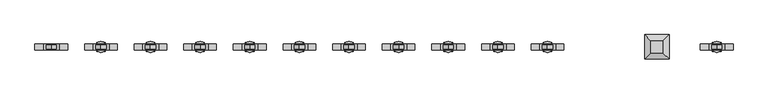
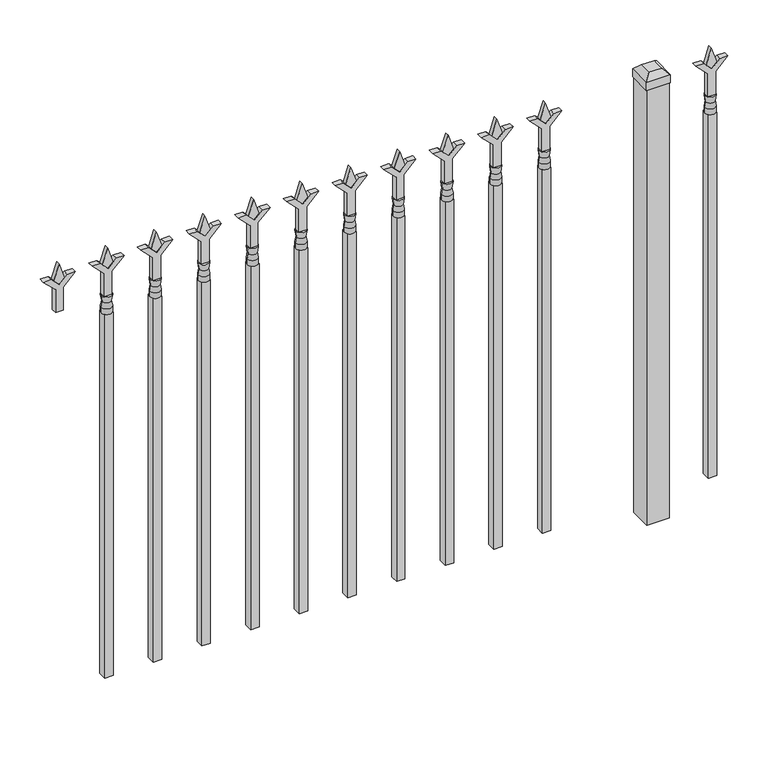
"""IFC4 building model written with IfcOpenShell, lengths in millimetres: railing geometry."""

from ifc_helpers import new_model, si_unit, frame, origin, origin_with_axes, place, context, project, spatial, polyline, circle_curve, outline, extrude, faceted_brep, source, transform, mapped, element, save
from ifc_brep_helpers import plane_surface, cylinder_surface, revolved_surface, advanced_brep


def railing_d598b14e(model_context):
    return source(origin(), model_context, "Body", "SolidModel", [
        extrude(outline(polyline([(1031.08125, -84010.849337), (1066.8, -84022.755587), (1031.08125, -84034.661837), (1019.175, -84022.755587), (1031.08125, -84010.849337)])), frame((0.0, 3017.5804826, 0.0), z_axis=(0.0, 1.0, 0.0), x_axis=(0.0, 0.0, 1.0)), (0.0, 0.0, 1.0), 9.525),
        extrude(outline(polyline([(955.675, -84014.024337), (1009.9457378, -84014.024337), (1037.1355122, -83986.8345625), (1037.1355122, -84004.7950747), (1019.175, -84022.755587), (1037.1355122, -84040.7160992), (1037.1355122, -84058.6766114), (1009.9457378, -84031.486837), (955.675, -84031.486837), (955.675, -84014.024337)])), frame((0.0, 3015.9929826, 0.0), z_axis=(0.0, 1.0, 0.0), x_axis=(0.0, 0.0, 1.0)), (0.0, 0.0, 1.0), 12.7),
        advanced_brep(
        [(-84010.849337, 3022.3429826, 927.1), (-84034.661837, 3022.3429826, 927.1), (-84034.661837, 3022.3429826, 914.4), (-84010.849337, 3022.3429826, 914.4), (-84013.0546688, 3022.3429826, 939.6070585), (-84032.4565051, 3022.3429826, 939.6070585), (-84010.849337, 3022.3429826, 955.675), (-84034.661837, 3022.3429826, 955.675), (-84022.755587, 3022.3429826, 955.675), (-84022.755587, 3022.3429826, 914.4)],
        [
            (0, 1, circle_curve(frame((-84022.755587, 3022.3429826, 927.1), z_axis=(0.0, 0.0, -1.0), x_axis=(-1.0, 0.0, 0.0)), 11.90625)),
            (1, 2),
            (2, 3, circle_curve(frame((-84022.755587, 3022.3429826, 914.4), z_axis=(0.0, 0.0, 1.0), x_axis=(-1.0, 0.0, 0.0)), 11.90625)),
            (3, 0),
            (1, 0, circle_curve(frame((-84022.755587, 3022.3429826, 927.1), z_axis=(0.0, 0.0, -1.0), x_axis=(-1.0, 0.0, 0.0)), 11.90625)),
            (3, 2, circle_curve(frame((-84022.755587, 3022.3429826, 914.4), z_axis=(0.0, 0.0, 1.0), x_axis=(-1.0, 0.0, 0.0)), 11.90625)),
            (4, 5, circle_curve(frame((-84022.755587, 3022.3429826, 939.6070585), z_axis=(0.0, 0.0, -1.0), x_axis=(-1.0, 0.0, 0.0)), 9.7009181)),
            (5, 1),
            (0, 4),
            (5, 4, circle_curve(frame((-84022.755587, 3022.3429826, 939.6070585), z_axis=(0.0, 0.0, -1.0), x_axis=(-1.0, 0.0, 0.0)), 9.7009181)),
            (6, 7, circle_curve(frame((-84022.755587, 3022.3429826, 955.675), z_axis=(0.0, 0.0, -1.0), x_axis=(-1.0, 0.0, 0.0)), 11.90625)),
            (7, 5),
            (4, 6),
            (7, 6, circle_curve(frame((-84022.755587, 3022.3429826, 955.675), z_axis=(0.0, 0.0, -1.0), x_axis=(-1.0, 0.0, 0.0)), 11.90625)),
            (8, 7),
            (6, 8),
            (2, 9),
            (9, 3),
        ],
        [
            cylinder_surface(frame((-84022.755587, 3022.3429826, 914.4), z_axis=(0.0, 0.0, 1.0), x_axis=(-1.0, 0.0, 0.0)), 11.90625),
            revolved_surface(polyline([(-84034.661837, 3022.3429826, 927.1), (-84032.4565051, 3022.3429826, 939.6070585)]), (-84022.755587, 3022.3429826, 914.4), (0.0, 0.0, 1.0)),
            revolved_surface(polyline([(-84032.4565051, 3022.3429826, 939.6070585), (-84034.661837, 3022.3429826, 955.675)]), (-84022.755587, 3022.3429826, 914.4), (0.0, 0.0, 1.0)),
            plane_surface(frame((-84022.755587, 3022.3429826, 955.675), z_axis=(0.0, 0.0, 1.0), x_axis=(-1.0, 0.0, 0.0))),
            plane_surface(frame((-84022.755587, 3022.3429826, 914.4), z_axis=(0.0, 0.0, -1.0), x_axis=(-1.0, 0.0, 0.0))),
        ],
        [
            (0, [[1, 2, 3, 4]]),
            (0, [[5, -4, 6, -2]]),
            (1, [[7, 8, -1, 9]]),
            (1, [[10, -9, -5, -8]]),
            (2, [[11, 12, -7, 13]]),
            (2, [[14, -13, -10, -12]]),
            (3, [[15, -11, 16]]),
            (3, [[-16, -14, -15]]),
            (4, [[-3, 17, 18]]),
            (4, [[-6, -18, -17]]),
        ],
    ),
        extrude(outline(polyline([(-84032.280587, 3031.8679826), (-84013.230587, 3031.8679826), (-84013.230587, 3012.8179826), (-84032.280587, 3012.8179826), (-84032.280587, 3031.8679826)])), frame((0.0, 0.0, 50.8), z_axis=(0.0, 0.0, 1.0), x_axis=(1.0, 0.0, 0.0)), (0.0, 0.0, 1.0), 863.6),
        faceted_brep([(-84181.505587, 3049.3304826, 1054.1), (-84181.505587, 3049.3304826, 1035.05), (-84181.505587, 2995.3554826, 1035.05), (-84181.505587, 2995.3554826, 1054.1), (-84168.805587, 3036.6304826, 1066.8), (-84168.805587, 3008.0554826, 1066.8), (-84127.530587, 2995.3554826, 1035.05), (-84127.530587, 2995.3554826, 1054.1), (-84140.230587, 3008.0554826, 1066.8), (-84127.530587, 3049.3304826, 1035.05), (-84127.530587, 3049.3304826, 1054.1), (-84140.230587, 3036.6304826, 1066.8)], [[[0, 1, 2, 3]], [[4, 0, 3, 5]], [[3, 2, 6, 7]], [[5, 3, 7, 8]], [[7, 6, 9, 10]], [[8, 7, 10, 11]], [[10, 9, 1, 0]], [[11, 10, 0, 4]], [[5, 8, 11, 4]], [[1, 9, 6, 2]]]),
        extrude(outline(polyline([(-84129.118087, 3047.7429826), (-84129.118087, 2996.9429826), (-84179.918087, 2996.9429826), (-84179.918087, 3047.7429826), (-84129.118087, 3047.7429826)])), origin_with_axes(), (0.0, 0.0, 1.0), 1035.05),
        extrude(outline(polyline([(1031.08125, -84383.6472536), (1066.8, -84395.5535036), (1031.08125, -84407.4597536), (1019.175, -84395.5535036), (1031.08125, -84383.6472536)])), frame((0.0, 3017.5804826, 0.0), z_axis=(0.0, 1.0, 0.0), x_axis=(0.0, 0.0, 1.0)), (0.0, 0.0, 1.0), 9.525),
        extrude(outline(polyline([(955.675, -84386.8222536), (1009.9457378, -84386.8222536), (1037.1355122, -84359.6324791), (1037.1355122, -84377.5929914), (1019.175, -84395.5535036), (1037.1355122, -84413.5140159), (1037.1355122, -84431.4745281), (1009.9457378, -84404.2847536), (955.675, -84404.2847536), (955.675, -84386.8222536)])), frame((0.0, 3015.9929826, 0.0), z_axis=(0.0, 1.0, 0.0), x_axis=(0.0, 0.0, 1.0)), (0.0, 0.0, 1.0), 12.7),
        advanced_brep(
        [(-84383.6472536, 3022.3429826, 927.1), (-84407.4597536, 3022.3429826, 927.1), (-84407.4597536, 3022.3429826, 914.4), (-84383.6472536, 3022.3429826, 914.4), (-84385.8525855, 3022.3429826, 939.6070585), (-84405.2544218, 3022.3429826, 939.6070585), (-84383.6472536, 3022.3429826, 955.675), (-84407.4597536, 3022.3429826, 955.675), (-84395.5535036, 3022.3429826, 955.675), (-84395.5535036, 3022.3429826, 914.4)],
        [
            (0, 1, circle_curve(frame((-84395.5535036, 3022.3429826, 927.1), z_axis=(0.0, 0.0, -1.0), x_axis=(-1.0, 0.0, 0.0)), 11.90625)),
            (1, 2),
            (2, 3, circle_curve(frame((-84395.5535036, 3022.3429826, 914.4), z_axis=(0.0, 0.0, 1.0), x_axis=(-1.0, 0.0, 0.0)), 11.90625)),
            (3, 0),
            (1, 0, circle_curve(frame((-84395.5535036, 3022.3429826, 927.1), z_axis=(0.0, 0.0, -1.0), x_axis=(-1.0, 0.0, 0.0)), 11.90625)),
            (3, 2, circle_curve(frame((-84395.5535036, 3022.3429826, 914.4), z_axis=(0.0, 0.0, 1.0), x_axis=(-1.0, 0.0, 0.0)), 11.90625)),
            (4, 5, circle_curve(frame((-84395.5535036, 3022.3429826, 939.6070585), z_axis=(0.0, 0.0, -1.0), x_axis=(-1.0, 0.0, 0.0)), 9.7009181)),
            (5, 1),
            (0, 4),
            (5, 4, circle_curve(frame((-84395.5535036, 3022.3429826, 939.6070585), z_axis=(0.0, 0.0, -1.0), x_axis=(-1.0, 0.0, 0.0)), 9.7009181)),
            (6, 7, circle_curve(frame((-84395.5535036, 3022.3429826, 955.675), z_axis=(0.0, 0.0, -1.0), x_axis=(-1.0, 0.0, 0.0)), 11.90625)),
            (7, 5),
            (4, 6),
            (7, 6, circle_curve(frame((-84395.5535036, 3022.3429826, 955.675), z_axis=(0.0, 0.0, -1.0), x_axis=(-1.0, 0.0, 0.0)), 11.90625)),
            (8, 7),
            (6, 8),
            (2, 9),
            (9, 3),
        ],
        [
            cylinder_surface(frame((-84395.5535036, 3022.3429826, 914.4), z_axis=(0.0, 0.0, 1.0), x_axis=(-1.0, 0.0, 0.0)), 11.90625),
            revolved_surface(polyline([(-84407.4597536, 3022.3429826, 927.1), (-84405.2544218, 3022.3429826, 939.6070585)]), (-84395.5535036, 3022.3429826, 914.4), (0.0, 0.0, 1.0)),
            revolved_surface(polyline([(-84405.2544218, 3022.3429826, 939.6070585), (-84407.4597536, 3022.3429826, 955.675)]), (-84395.5535036, 3022.3429826, 914.4), (0.0, 0.0, 1.0)),
            plane_surface(frame((-84395.5535036, 3022.3429826, 955.675), z_axis=(0.0, 0.0, 1.0), x_axis=(-1.0, 0.0, 0.0))),
            plane_surface(frame((-84395.5535036, 3022.3429826, 914.4), z_axis=(0.0, 0.0, -1.0), x_axis=(-1.0, 0.0, 0.0))),
        ],
        [
            (0, [[1, 2, 3, 4]]),
            (0, [[5, -4, 6, -2]]),
            (1, [[7, 8, -1, 9]]),
            (1, [[10, -9, -5, -8]]),
            (2, [[11, 12, -7, 13]]),
            (2, [[14, -13, -10, -12]]),
            (3, [[15, -11, 16]]),
            (3, [[-16, -14, -15]]),
            (4, [[-3, 17, 18]]),
            (4, [[-6, -18, -17]]),
        ],
    ),
        extrude(outline(polyline([(-84405.0785036, 3031.8679826), (-84386.0285036, 3031.8679826), (-84386.0285036, 3012.8179826), (-84405.0785036, 3012.8179826), (-84405.0785036, 3031.8679826)])), frame((0.0, 0.0, 50.8), z_axis=(0.0, 0.0, 1.0), x_axis=(1.0, 0.0, 0.0)), (0.0, 0.0, 1.0), 863.6),
        extrude(outline(polyline([(1031.08125, -84492.9201703), (1066.8, -84504.8264203), (1031.08125, -84516.7326703), (1019.175, -84504.8264203), (1031.08125, -84492.9201703)])), frame((0.0, 3017.5804826, 0.0), z_axis=(0.0, 1.0, 0.0), x_axis=(0.0, 0.0, 1.0)), (0.0, 0.0, 1.0), 9.525),
        extrude(outline(polyline([(955.675, -84496.0951703), (1009.9457378, -84496.0951703), (1037.1355122, -84468.9053958), (1037.1355122, -84486.8659081), (1019.175, -84504.8264203), (1037.1355122, -84522.7869325), (1037.1355122, -84540.7474448), (1009.9457378, -84513.5576703), (955.675, -84513.5576703), (955.675, -84496.0951703)])), frame((0.0, 3015.9929826, 0.0), z_axis=(0.0, 1.0, 0.0), x_axis=(0.0, 0.0, 1.0)), (0.0, 0.0, 1.0), 12.7),
        advanced_brep(
        [(-84492.9201703, 3022.3429826, 927.1), (-84516.7326703, 3022.3429826, 927.1), (-84516.7326703, 3022.3429826, 914.4), (-84492.9201703, 3022.3429826, 914.4), (-84495.1255022, 3022.3429826, 939.6070585), (-84514.5273384, 3022.3429826, 939.6070585), (-84492.9201703, 3022.3429826, 955.675), (-84516.7326703, 3022.3429826, 955.675), (-84504.8264203, 3022.3429826, 955.675), (-84504.8264203, 3022.3429826, 914.4)],
        [
            (0, 1, circle_curve(frame((-84504.8264203, 3022.3429826, 927.1), z_axis=(0.0, 0.0, -1.0), x_axis=(-1.0, 0.0, 0.0)), 11.90625)),
            (1, 2),
            (2, 3, circle_curve(frame((-84504.8264203, 3022.3429826, 914.4), z_axis=(0.0, 0.0, 1.0), x_axis=(-1.0, 0.0, 0.0)), 11.90625)),
            (3, 0),
            (1, 0, circle_curve(frame((-84504.8264203, 3022.3429826, 927.1), z_axis=(0.0, 0.0, -1.0), x_axis=(-1.0, 0.0, 0.0)), 11.90625)),
            (3, 2, circle_curve(frame((-84504.8264203, 3022.3429826, 914.4), z_axis=(0.0, 0.0, 1.0), x_axis=(-1.0, 0.0, 0.0)), 11.90625)),
            (4, 5, circle_curve(frame((-84504.8264203, 3022.3429826, 939.6070585), z_axis=(0.0, 0.0, -1.0), x_axis=(-1.0, 0.0, 0.0)), 9.7009181)),
            (5, 1),
            (0, 4),
            (5, 4, circle_curve(frame((-84504.8264203, 3022.3429826, 939.6070585), z_axis=(0.0, 0.0, -1.0), x_axis=(-1.0, 0.0, 0.0)), 9.7009181)),
            (6, 7, circle_curve(frame((-84504.8264203, 3022.3429826, 955.675), z_axis=(0.0, 0.0, -1.0), x_axis=(-1.0, 0.0, 0.0)), 11.90625)),
            (7, 5),
            (4, 6),
            (7, 6, circle_curve(frame((-84504.8264203, 3022.3429826, 955.675), z_axis=(0.0, 0.0, -1.0), x_axis=(-1.0, 0.0, 0.0)), 11.90625)),
            (8, 7),
            (6, 8),
            (2, 9),
            (9, 3),
        ],
        [
            cylinder_surface(frame((-84504.8264203, 3022.3429826, 914.4), z_axis=(0.0, 0.0, 1.0), x_axis=(-1.0, 0.0, 0.0)), 11.90625),
            revolved_surface(polyline([(-84516.7326703, 3022.3429826, 927.1), (-84514.5273384, 3022.3429826, 939.6070585)]), (-84504.8264203, 3022.3429826, 914.4), (0.0, 0.0, 1.0)),
            revolved_surface(polyline([(-84514.5273384, 3022.3429826, 939.6070585), (-84516.7326703, 3022.3429826, 955.675)]), (-84504.8264203, 3022.3429826, 914.4), (0.0, 0.0, 1.0)),
            plane_surface(frame((-84504.8264203, 3022.3429826, 955.675), z_axis=(0.0, 0.0, 1.0), x_axis=(-1.0, 0.0, 0.0))),
            plane_surface(frame((-84504.8264203, 3022.3429826, 914.4), z_axis=(0.0, 0.0, -1.0), x_axis=(-1.0, 0.0, 0.0))),
        ],
        [
            (0, [[1, 2, 3, 4]]),
            (0, [[5, -4, 6, -2]]),
            (1, [[7, 8, -1, 9]]),
            (1, [[10, -9, -5, -8]]),
            (2, [[11, 12, -7, 13]]),
            (2, [[14, -13, -10, -12]]),
            (3, [[15, -11, 16]]),
            (3, [[-16, -14, -15]]),
            (4, [[-3, 17, 18]]),
            (4, [[-6, -18, -17]]),
        ],
    ),
        extrude(outline(polyline([(-84514.3514203, 3031.8679826), (-84495.3014203, 3031.8679826), (-84495.3014203, 3012.8179826), (-84514.3514203, 3012.8179826), (-84514.3514203, 3031.8679826)])), frame((0.0, 0.0, 50.8), z_axis=(0.0, 0.0, 1.0), x_axis=(1.0, 0.0, 0.0)), (0.0, 0.0, 1.0), 863.6),
        extrude(outline(polyline([(1031.08125, -84602.193087), (1066.8, -84614.099337), (1031.08125, -84626.005587), (1019.175, -84614.099337), (1031.08125, -84602.193087)])), frame((0.0, 3017.5804826, 0.0), z_axis=(0.0, 1.0, 0.0), x_axis=(0.0, 0.0, 1.0)), (0.0, 0.0, 1.0), 9.525),
        extrude(outline(polyline([(955.675, -84605.368087), (1009.9457378, -84605.368087), (1037.1355122, -84578.1783125), (1037.1355122, -84596.1388247), (1019.175, -84614.099337), (1037.1355122, -84632.0598492), (1037.1355122, -84650.0203614), (1009.9457378, -84622.830587), (955.675, -84622.830587), (955.675, -84605.368087)])), frame((0.0, 3015.9929826, 0.0), z_axis=(0.0, 1.0, 0.0), x_axis=(0.0, 0.0, 1.0)), (0.0, 0.0, 1.0), 12.7),
        advanced_brep(
        [(-84602.193087, 3022.3429826, 927.1), (-84626.005587, 3022.3429826, 927.1), (-84626.005587, 3022.3429826, 914.4), (-84602.193087, 3022.3429826, 914.4), (-84604.3984188, 3022.3429826, 939.6070585), (-84623.8002551, 3022.3429826, 939.6070585), (-84602.193087, 3022.3429826, 955.675), (-84626.005587, 3022.3429826, 955.675), (-84614.099337, 3022.3429826, 955.675), (-84614.099337, 3022.3429826, 914.4)],
        [
            (0, 1, circle_curve(frame((-84614.099337, 3022.3429826, 927.1), z_axis=(0.0, 0.0, -1.0), x_axis=(-1.0, 0.0, 0.0)), 11.90625)),
            (1, 2),
            (2, 3, circle_curve(frame((-84614.099337, 3022.3429826, 914.4), z_axis=(0.0, 0.0, 1.0), x_axis=(-1.0, 0.0, 0.0)), 11.90625)),
            (3, 0),
            (1, 0, circle_curve(frame((-84614.099337, 3022.3429826, 927.1), z_axis=(0.0, 0.0, -1.0), x_axis=(-1.0, 0.0, 0.0)), 11.90625)),
            (3, 2, circle_curve(frame((-84614.099337, 3022.3429826, 914.4), z_axis=(0.0, 0.0, 1.0), x_axis=(-1.0, 0.0, 0.0)), 11.90625)),
            (4, 5, circle_curve(frame((-84614.099337, 3022.3429826, 939.6070585), z_axis=(0.0, 0.0, -1.0), x_axis=(-1.0, 0.0, 0.0)), 9.7009181)),
            (5, 1),
            (0, 4),
            (5, 4, circle_curve(frame((-84614.099337, 3022.3429826, 939.6070585), z_axis=(0.0, 0.0, -1.0), x_axis=(-1.0, 0.0, 0.0)), 9.7009181)),
            (6, 7, circle_curve(frame((-84614.099337, 3022.3429826, 955.675), z_axis=(0.0, 0.0, -1.0), x_axis=(-1.0, 0.0, 0.0)), 11.90625)),
            (7, 5),
            (4, 6),
            (7, 6, circle_curve(frame((-84614.099337, 3022.3429826, 955.675), z_axis=(0.0, 0.0, -1.0), x_axis=(-1.0, 0.0, 0.0)), 11.90625)),
            (8, 7),
            (6, 8),
            (2, 9),
            (9, 3),
        ],
        [
            cylinder_surface(frame((-84614.099337, 3022.3429826, 914.4), z_axis=(0.0, 0.0, 1.0), x_axis=(-1.0, 0.0, 0.0)), 11.90625),
            revolved_surface(polyline([(-84626.005587, 3022.3429826, 927.1), (-84623.8002551, 3022.3429826, 939.6070585)]), (-84614.099337, 3022.3429826, 914.4), (0.0, 0.0, 1.0)),
            revolved_surface(polyline([(-84623.8002551, 3022.3429826, 939.6070585), (-84626.005587, 3022.3429826, 955.675)]), (-84614.099337, 3022.3429826, 914.4), (0.0, 0.0, 1.0)),
            plane_surface(frame((-84614.099337, 3022.3429826, 955.675), z_axis=(0.0, 0.0, 1.0), x_axis=(-1.0, 0.0, 0.0))),
            plane_surface(frame((-84614.099337, 3022.3429826, 914.4), z_axis=(0.0, 0.0, -1.0), x_axis=(-1.0, 0.0, 0.0))),
        ],
        [
            (0, [[1, 2, 3, 4]]),
            (0, [[5, -4, 6, -2]]),
            (1, [[7, 8, -1, 9]]),
            (1, [[10, -9, -5, -8]]),
            (2, [[11, 12, -7, 13]]),
            (2, [[14, -13, -10, -12]]),
            (3, [[15, -11, 16]]),
            (3, [[-16, -14, -15]]),
            (4, [[-3, 17, 18]]),
            (4, [[-6, -18, -17]]),
        ],
    ),
        extrude(outline(polyline([(-84623.624337, 3031.8679826), (-84604.574337, 3031.8679826), (-84604.574337, 3012.8179826), (-84623.624337, 3012.8179826), (-84623.624337, 3031.8679826)])), frame((0.0, 0.0, 50.8), z_axis=(0.0, 0.0, 1.0), x_axis=(1.0, 0.0, 0.0)), (0.0, 0.0, 1.0), 863.6),
        extrude(outline(polyline([(1031.08125, -84711.4660036), (1066.8, -84723.3722536), (1031.08125, -84735.2785036), (1019.175, -84723.3722536), (1031.08125, -84711.4660036)])), frame((0.0, 3017.5804826, 0.0), z_axis=(0.0, 1.0, 0.0), x_axis=(0.0, 0.0, 1.0)), (0.0, 0.0, 1.0), 9.525),
        extrude(outline(polyline([(955.675, -84714.6410036), (1009.9457378, -84714.6410036), (1037.1355122, -84687.4512291), (1037.1355122, -84705.4117414), (1019.175, -84723.3722536), (1037.1355122, -84741.3327659), (1037.1355122, -84759.2932781), (1009.9457378, -84732.1035036), (955.675, -84732.1035036), (955.675, -84714.6410036)])), frame((0.0, 3015.9929826, 0.0), z_axis=(0.0, 1.0, 0.0), x_axis=(0.0, 0.0, 1.0)), (0.0, 0.0, 1.0), 12.7),
        advanced_brep(
        [(-84711.4660036, 3022.3429826, 927.1), (-84735.2785036, 3022.3429826, 927.1), (-84735.2785036, 3022.3429826, 914.4), (-84711.4660036, 3022.3429826, 914.4), (-84713.6713355, 3022.3429826, 939.6070585), (-84733.0731718, 3022.3429826, 939.6070585), (-84711.4660036, 3022.3429826, 955.675), (-84735.2785036, 3022.3429826, 955.675), (-84723.3722536, 3022.3429826, 955.675), (-84723.3722536, 3022.3429826, 914.4)],
        [
            (0, 1, circle_curve(frame((-84723.3722536, 3022.3429826, 927.1), z_axis=(0.0, 0.0, -1.0), x_axis=(-1.0, 0.0, 0.0)), 11.90625)),
            (1, 2),
            (2, 3, circle_curve(frame((-84723.3722536, 3022.3429826, 914.4), z_axis=(0.0, 0.0, 1.0), x_axis=(-1.0, 0.0, 0.0)), 11.90625)),
            (3, 0),
            (1, 0, circle_curve(frame((-84723.3722536, 3022.3429826, 927.1), z_axis=(0.0, 0.0, -1.0), x_axis=(-1.0, 0.0, 0.0)), 11.90625)),
            (3, 2, circle_curve(frame((-84723.3722536, 3022.3429826, 914.4), z_axis=(0.0, 0.0, 1.0), x_axis=(-1.0, 0.0, 0.0)), 11.90625)),
            (4, 5, circle_curve(frame((-84723.3722536, 3022.3429826, 939.6070585), z_axis=(0.0, 0.0, -1.0), x_axis=(-1.0, 0.0, 0.0)), 9.7009181)),
            (5, 1),
            (0, 4),
            (5, 4, circle_curve(frame((-84723.3722536, 3022.3429826, 939.6070585), z_axis=(0.0, 0.0, -1.0), x_axis=(-1.0, 0.0, 0.0)), 9.7009181)),
            (6, 7, circle_curve(frame((-84723.3722536, 3022.3429826, 955.675), z_axis=(0.0, 0.0, -1.0), x_axis=(-1.0, 0.0, 0.0)), 11.90625)),
            (7, 5),
            (4, 6),
            (7, 6, circle_curve(frame((-84723.3722536, 3022.3429826, 955.675), z_axis=(0.0, 0.0, -1.0), x_axis=(-1.0, 0.0, 0.0)), 11.90625)),
            (8, 7),
            (6, 8),
            (2, 9),
            (9, 3),
        ],
        [
            cylinder_surface(frame((-84723.3722536, 3022.3429826, 914.4), z_axis=(0.0, 0.0, 1.0), x_axis=(-1.0, 0.0, 0.0)), 11.90625),
            revolved_surface(polyline([(-84735.2785036, 3022.3429826, 927.1), (-84733.0731718, 3022.3429826, 939.6070585)]), (-84723.3722536, 3022.3429826, 914.4), (0.0, 0.0, 1.0)),
            revolved_surface(polyline([(-84733.0731718, 3022.3429826, 939.6070585), (-84735.2785036, 3022.3429826, 955.675)]), (-84723.3722536, 3022.3429826, 914.4), (0.0, 0.0, 1.0)),
            plane_surface(frame((-84723.3722536, 3022.3429826, 955.675), z_axis=(0.0, 0.0, 1.0), x_axis=(-1.0, 0.0, 0.0))),
            plane_surface(frame((-84723.3722536, 3022.3429826, 914.4), z_axis=(0.0, 0.0, -1.0), x_axis=(-1.0, 0.0, 0.0))),
        ],
        [
            (0, [[1, 2, 3, 4]]),
            (0, [[5, -4, 6, -2]]),
            (1, [[7, 8, -1, 9]]),
            (1, [[10, -9, -5, -8]]),
            (2, [[11, 12, -7, 13]]),
            (2, [[14, -13, -10, -12]]),
            (3, [[15, -11, 16]]),
            (3, [[-16, -14, -15]]),
            (4, [[-3, 17, 18]]),
            (4, [[-6, -18, -17]]),
        ],
    ),
        extrude(outline(polyline([(-84732.8972536, 3031.8679826), (-84713.8472536, 3031.8679826), (-84713.8472536, 3012.8179826), (-84732.8972536, 3012.8179826), (-84732.8972536, 3031.8679826)])), frame((0.0, 0.0, 50.8), z_axis=(0.0, 0.0, 1.0), x_axis=(1.0, 0.0, 0.0)), (0.0, 0.0, 1.0), 863.6),
        extrude(outline(polyline([(1031.08125, -84820.7389203), (1066.8, -84832.6451703), (1031.08125, -84844.5514203), (1019.175, -84832.6451703), (1031.08125, -84820.7389203)])), frame((0.0, 3017.5804826, 0.0), z_axis=(0.0, 1.0, 0.0), x_axis=(0.0, 0.0, 1.0)), (0.0, 0.0, 1.0), 9.525),
        extrude(outline(polyline([(955.675, -84823.9139203), (1009.9457378, -84823.9139203), (1037.1355122, -84796.7241458), (1037.1355122, -84814.6846581), (1019.175, -84832.6451703), (1037.1355122, -84850.6056825), (1037.1355122, -84868.5661948), (1009.9457378, -84841.3764203), (955.675, -84841.3764203), (955.675, -84823.9139203)])), frame((0.0, 3015.9929826, 0.0), z_axis=(0.0, 1.0, 0.0), x_axis=(0.0, 0.0, 1.0)), (0.0, 0.0, 1.0), 12.7),
        advanced_brep(
        [(-84820.7389203, 3022.3429826, 927.1), (-84844.5514203, 3022.3429826, 927.1), (-84844.5514203, 3022.3429826, 914.4), (-84820.7389203, 3022.3429826, 914.4), (-84822.9442522, 3022.3429826, 939.6070585), (-84842.3460884, 3022.3429826, 939.6070585), (-84820.7389203, 3022.3429826, 955.675), (-84844.5514203, 3022.3429826, 955.675), (-84832.6451703, 3022.3429826, 955.675), (-84832.6451703, 3022.3429826, 914.4)],
        [
            (0, 1, circle_curve(frame((-84832.6451703, 3022.3429826, 927.1), z_axis=(0.0, 0.0, -1.0), x_axis=(-1.0, 0.0, 0.0)), 11.90625)),
            (1, 2),
            (2, 3, circle_curve(frame((-84832.6451703, 3022.3429826, 914.4), z_axis=(0.0, 0.0, 1.0), x_axis=(-1.0, 0.0, 0.0)), 11.90625)),
            (3, 0),
            (1, 0, circle_curve(frame((-84832.6451703, 3022.3429826, 927.1), z_axis=(0.0, 0.0, -1.0), x_axis=(-1.0, 0.0, 0.0)), 11.90625)),
            (3, 2, circle_curve(frame((-84832.6451703, 3022.3429826, 914.4), z_axis=(0.0, 0.0, 1.0), x_axis=(-1.0, 0.0, 0.0)), 11.90625)),
            (4, 5, circle_curve(frame((-84832.6451703, 3022.3429826, 939.6070585), z_axis=(0.0, 0.0, -1.0), x_axis=(-1.0, 0.0, 0.0)), 9.7009181)),
            (5, 1),
            (0, 4),
            (5, 4, circle_curve(frame((-84832.6451703, 3022.3429826, 939.6070585), z_axis=(0.0, 0.0, -1.0), x_axis=(-1.0, 0.0, 0.0)), 9.7009181)),
            (6, 7, circle_curve(frame((-84832.6451703, 3022.3429826, 955.675), z_axis=(0.0, 0.0, -1.0), x_axis=(-1.0, 0.0, 0.0)), 11.90625)),
            (7, 5),
            (4, 6),
            (7, 6, circle_curve(frame((-84832.6451703, 3022.3429826, 955.675), z_axis=(0.0, 0.0, -1.0), x_axis=(-1.0, 0.0, 0.0)), 11.90625)),
            (8, 7),
            (6, 8),
            (2, 9),
            (9, 3),
        ],
        [
            cylinder_surface(frame((-84832.6451703, 3022.3429826, 914.4), z_axis=(0.0, 0.0, 1.0), x_axis=(-1.0, 0.0, 0.0)), 11.90625),
            revolved_surface(polyline([(-84844.5514203, 3022.3429826, 927.1), (-84842.3460884, 3022.3429826, 939.6070585)]), (-84832.6451703, 3022.3429826, 914.4), (0.0, 0.0, 1.0)),
            revolved_surface(polyline([(-84842.3460884, 3022.3429826, 939.6070585), (-84844.5514203, 3022.3429826, 955.675)]), (-84832.6451703, 3022.3429826, 914.4), (0.0, 0.0, 1.0)),
            plane_surface(frame((-84832.6451703, 3022.3429826, 955.675), z_axis=(0.0, 0.0, 1.0), x_axis=(-1.0, 0.0, 0.0))),
            plane_surface(frame((-84832.6451703, 3022.3429826, 914.4), z_axis=(0.0, 0.0, -1.0), x_axis=(-1.0, 0.0, 0.0))),
        ],
        [
            (0, [[1, 2, 3, 4]]),
            (0, [[5, -4, 6, -2]]),
            (1, [[7, 8, -1, 9]]),
            (1, [[10, -9, -5, -8]]),
            (2, [[11, 12, -7, 13]]),
            (2, [[14, -13, -10, -12]]),
            (3, [[15, -11, 16]]),
            (3, [[-16, -14, -15]]),
            (4, [[-3, 17, 18]]),
            (4, [[-6, -18, -17]]),
        ],
    ),
        extrude(outline(polyline([(-84842.1701703, 3031.8679826), (-84823.1201703, 3031.8679826), (-84823.1201703, 3012.8179826), (-84842.1701703, 3012.8179826), (-84842.1701703, 3031.8679826)])), frame((0.0, 0.0, 50.8), z_axis=(0.0, 0.0, 1.0), x_axis=(1.0, 0.0, 0.0)), (0.0, 0.0, 1.0), 863.6),
        extrude(outline(polyline([(1031.08125, -84930.011837), (1066.8, -84941.918087), (1031.08125, -84953.824337), (1019.175, -84941.918087), (1031.08125, -84930.011837)])), frame((0.0, 3017.5804826, 0.0), z_axis=(0.0, 1.0, 0.0), x_axis=(0.0, 0.0, 1.0)), (0.0, 0.0, 1.0), 9.525),
        extrude(outline(polyline([(955.675, -84933.186837), (1009.9457378, -84933.186837), (1037.1355122, -84905.9970625), (1037.1355122, -84923.9575747), (1019.175, -84941.918087), (1037.1355122, -84959.8785992), (1037.1355122, -84977.8391114), (1009.9457378, -84950.649337), (955.675, -84950.649337), (955.675, -84933.186837)])), frame((0.0, 3015.9929826, 0.0), z_axis=(0.0, 1.0, 0.0), x_axis=(0.0, 0.0, 1.0)), (0.0, 0.0, 1.0), 12.7),
        advanced_brep(
        [(-84930.011837, 3022.3429826, 927.1), (-84953.824337, 3022.3429826, 927.1), (-84953.824337, 3022.3429826, 914.4), (-84930.011837, 3022.3429826, 914.4), (-84932.2171688, 3022.3429826, 939.6070585), (-84951.6190051, 3022.3429826, 939.6070585), (-84930.011837, 3022.3429826, 955.675), (-84953.824337, 3022.3429826, 955.675), (-84941.918087, 3022.3429826, 955.675), (-84941.918087, 3022.3429826, 914.4)],
        [
            (0, 1, circle_curve(frame((-84941.918087, 3022.3429826, 927.1), z_axis=(0.0, 0.0, -1.0), x_axis=(-1.0, 0.0, 0.0)), 11.90625)),
            (1, 2),
            (2, 3, circle_curve(frame((-84941.918087, 3022.3429826, 914.4), z_axis=(0.0, 0.0, 1.0), x_axis=(-1.0, 0.0, 0.0)), 11.90625)),
            (3, 0),
            (1, 0, circle_curve(frame((-84941.918087, 3022.3429826, 927.1), z_axis=(0.0, 0.0, -1.0), x_axis=(-1.0, 0.0, 0.0)), 11.90625)),
            (3, 2, circle_curve(frame((-84941.918087, 3022.3429826, 914.4), z_axis=(0.0, 0.0, 1.0), x_axis=(-1.0, 0.0, 0.0)), 11.90625)),
            (4, 5, circle_curve(frame((-84941.918087, 3022.3429826, 939.6070585), z_axis=(0.0, 0.0, -1.0), x_axis=(-1.0, 0.0, 0.0)), 9.7009181)),
            (5, 1),
            (0, 4),
            (5, 4, circle_curve(frame((-84941.918087, 3022.3429826, 939.6070585), z_axis=(0.0, 0.0, -1.0), x_axis=(-1.0, 0.0, 0.0)), 9.7009181)),
            (6, 7, circle_curve(frame((-84941.918087, 3022.3429826, 955.675), z_axis=(0.0, 0.0, -1.0), x_axis=(-1.0, 0.0, 0.0)), 11.90625)),
            (7, 5),
            (4, 6),
            (7, 6, circle_curve(frame((-84941.918087, 3022.3429826, 955.675), z_axis=(0.0, 0.0, -1.0), x_axis=(-1.0, 0.0, 0.0)), 11.90625)),
            (8, 7),
            (6, 8),
            (2, 9),
            (9, 3),
        ],
        [
            cylinder_surface(frame((-84941.918087, 3022.3429826, 914.4), z_axis=(0.0, 0.0, 1.0), x_axis=(-1.0, 0.0, 0.0)), 11.90625),
            revolved_surface(polyline([(-84953.824337, 3022.3429826, 927.1), (-84951.6190051, 3022.3429826, 939.6070585)]), (-84941.918087, 3022.3429826, 914.4), (0.0, 0.0, 1.0)),
            revolved_surface(polyline([(-84951.6190051, 3022.3429826, 939.6070585), (-84953.824337, 3022.3429826, 955.675)]), (-84941.918087, 3022.3429826, 914.4), (0.0, 0.0, 1.0)),
            plane_surface(frame((-84941.918087, 3022.3429826, 955.675), z_axis=(0.0, 0.0, 1.0), x_axis=(-1.0, 0.0, 0.0))),
            plane_surface(frame((-84941.918087, 3022.3429826, 914.4), z_axis=(0.0, 0.0, -1.0), x_axis=(-1.0, 0.0, 0.0))),
        ],
        [
            (0, [[1, 2, 3, 4]]),
            (0, [[5, -4, 6, -2]]),
            (1, [[7, 8, -1, 9]]),
            (1, [[10, -9, -5, -8]]),
            (2, [[11, 12, -7, 13]]),
            (2, [[14, -13, -10, -12]]),
            (3, [[15, -11, 16]]),
            (3, [[-16, -14, -15]]),
            (4, [[-3, 17, 18]]),
            (4, [[-6, -18, -17]]),
        ],
    ),
        extrude(outline(polyline([(-84951.443087, 3031.8679826), (-84932.393087, 3031.8679826), (-84932.393087, 3012.8179826), (-84951.443087, 3012.8179826), (-84951.443087, 3031.8679826)])), frame((0.0, 0.0, 50.8), z_axis=(0.0, 0.0, 1.0), x_axis=(1.0, 0.0, 0.0)), (0.0, 0.0, 1.0), 863.6),
        extrude(outline(polyline([(1031.08125, -85039.2847536), (1066.8, -85051.1910036), (1031.08125, -85063.0972536), (1019.175, -85051.1910036), (1031.08125, -85039.2847536)])), frame((0.0, 3017.5804826, 0.0), z_axis=(0.0, 1.0, 0.0), x_axis=(0.0, 0.0, 1.0)), (0.0, 0.0, 1.0), 9.525),
        extrude(outline(polyline([(955.675, -85042.4597536), (1009.9457378, -85042.4597536), (1037.1355122, -85015.2699791), (1037.1355122, -85033.2304914), (1019.175, -85051.1910036), (1037.1355122, -85069.1515159), (1037.1355122, -85087.1120281), (1009.9457378, -85059.9222536), (955.675, -85059.9222536), (955.675, -85042.4597536)])), frame((0.0, 3015.9929826, 0.0), z_axis=(0.0, 1.0, 0.0), x_axis=(0.0, 0.0, 1.0)), (0.0, 0.0, 1.0), 12.7),
        advanced_brep(
        [(-85039.2847536, 3022.3429826, 927.1), (-85063.0972536, 3022.3429826, 927.1), (-85063.0972536, 3022.3429826, 914.4), (-85039.2847536, 3022.3429826, 914.4), (-85041.4900855, 3022.3429826, 939.6070585), (-85060.8919218, 3022.3429826, 939.6070585), (-85039.2847536, 3022.3429826, 955.675), (-85063.0972536, 3022.3429826, 955.675), (-85051.1910036, 3022.3429826, 955.675), (-85051.1910036, 3022.3429826, 914.4)],
        [
            (0, 1, circle_curve(frame((-85051.1910036, 3022.3429826, 927.1), z_axis=(0.0, 0.0, -1.0), x_axis=(-1.0, 0.0, 0.0)), 11.90625)),
            (1, 2),
            (2, 3, circle_curve(frame((-85051.1910036, 3022.3429826, 914.4), z_axis=(0.0, 0.0, 1.0), x_axis=(-1.0, 0.0, 0.0)), 11.90625)),
            (3, 0),
            (1, 0, circle_curve(frame((-85051.1910036, 3022.3429826, 927.1), z_axis=(0.0, 0.0, -1.0), x_axis=(-1.0, 0.0, 0.0)), 11.90625)),
            (3, 2, circle_curve(frame((-85051.1910036, 3022.3429826, 914.4), z_axis=(0.0, 0.0, 1.0), x_axis=(-1.0, 0.0, 0.0)), 11.90625)),
            (4, 5, circle_curve(frame((-85051.1910036, 3022.3429826, 939.6070585), z_axis=(0.0, 0.0, -1.0), x_axis=(-1.0, 0.0, 0.0)), 9.7009181)),
            (5, 1),
            (0, 4),
            (5, 4, circle_curve(frame((-85051.1910036, 3022.3429826, 939.6070585), z_axis=(0.0, 0.0, -1.0), x_axis=(-1.0, 0.0, 0.0)), 9.7009181)),
            (6, 7, circle_curve(frame((-85051.1910036, 3022.3429826, 955.675), z_axis=(0.0, 0.0, -1.0), x_axis=(-1.0, 0.0, 0.0)), 11.90625)),
            (7, 5),
            (4, 6),
            (7, 6, circle_curve(frame((-85051.1910036, 3022.3429826, 955.675), z_axis=(0.0, 0.0, -1.0), x_axis=(-1.0, 0.0, 0.0)), 11.90625)),
            (8, 7),
            (6, 8),
            (2, 9),
            (9, 3),
        ],
        [
            cylinder_surface(frame((-85051.1910036, 3022.3429826, 914.4), z_axis=(0.0, 0.0, 1.0), x_axis=(-1.0, 0.0, 0.0)), 11.90625),
            revolved_surface(polyline([(-85063.0972536, 3022.3429826, 927.1), (-85060.8919218, 3022.3429826, 939.6070585)]), (-85051.1910036, 3022.3429826, 914.4), (0.0, 0.0, 1.0)),
            revolved_surface(polyline([(-85060.8919218, 3022.3429826, 939.6070585), (-85063.0972536, 3022.3429826, 955.675)]), (-85051.1910036, 3022.3429826, 914.4), (0.0, 0.0, 1.0)),
            plane_surface(frame((-85051.1910036, 3022.3429826, 955.675), z_axis=(0.0, 0.0, 1.0), x_axis=(-1.0, 0.0, 0.0))),
            plane_surface(frame((-85051.1910036, 3022.3429826, 914.4), z_axis=(0.0, 0.0, -1.0), x_axis=(-1.0, 0.0, 0.0))),
        ],
        [
            (0, [[1, 2, 3, 4]]),
            (0, [[5, -4, 6, -2]]),
            (1, [[7, 8, -1, 9]]),
            (1, [[10, -9, -5, -8]]),
            (2, [[11, 12, -7, 13]]),
            (2, [[14, -13, -10, -12]]),
            (3, [[15, -11, 16]]),
            (3, [[-16, -14, -15]]),
            (4, [[-3, 17, 18]]),
            (4, [[-6, -18, -17]]),
        ],
    ),
        extrude(outline(polyline([(-85060.7160036, 3031.8679826), (-85041.6660036, 3031.8679826), (-85041.6660036, 3012.8179826), (-85060.7160036, 3012.8179826), (-85060.7160036, 3031.8679826)])), frame((0.0, 0.0, 50.8), z_axis=(0.0, 0.0, 1.0), x_axis=(1.0, 0.0, 0.0)), (0.0, 0.0, 1.0), 863.6),
        extrude(outline(polyline([(1031.08125, -85148.5576703), (1066.8, -85160.4639203), (1031.08125, -85172.3701703), (1019.175, -85160.4639203), (1031.08125, -85148.5576703)])), frame((0.0, 3017.5804826, 0.0), z_axis=(0.0, 1.0, 0.0), x_axis=(0.0, 0.0, 1.0)), (0.0, 0.0, 1.0), 9.525),
        extrude(outline(polyline([(955.675, -85151.7326703), (1009.9457378, -85151.7326703), (1037.1355122, -85124.5428958), (1037.1355122, -85142.5034081), (1019.175, -85160.4639203), (1037.1355122, -85178.4244325), (1037.1355122, -85196.3849448), (1009.9457378, -85169.1951703), (955.675, -85169.1951703), (955.675, -85151.7326703)])), frame((0.0, 3015.9929826, 0.0), z_axis=(0.0, 1.0, 0.0), x_axis=(0.0, 0.0, 1.0)), (0.0, 0.0, 1.0), 12.7),
        advanced_brep(
        [(-85148.5576703, 3022.3429826, 927.1), (-85172.3701703, 3022.3429826, 927.1), (-85172.3701703, 3022.3429826, 914.4), (-85148.5576703, 3022.3429826, 914.4), (-85150.7630022, 3022.3429826, 939.6070585), (-85170.1648384, 3022.3429826, 939.6070585), (-85148.5576703, 3022.3429826, 955.675), (-85172.3701703, 3022.3429826, 955.675), (-85160.4639203, 3022.3429826, 955.675), (-85160.4639203, 3022.3429826, 914.4)],
        [
            (0, 1, circle_curve(frame((-85160.4639203, 3022.3429826, 927.1), z_axis=(0.0, 0.0, -1.0), x_axis=(-1.0, 0.0, 0.0)), 11.90625)),
            (1, 2),
            (2, 3, circle_curve(frame((-85160.4639203, 3022.3429826, 914.4), z_axis=(0.0, 0.0, 1.0), x_axis=(-1.0, 0.0, 0.0)), 11.90625)),
            (3, 0),
            (1, 0, circle_curve(frame((-85160.4639203, 3022.3429826, 927.1), z_axis=(0.0, 0.0, -1.0), x_axis=(-1.0, 0.0, 0.0)), 11.90625)),
            (3, 2, circle_curve(frame((-85160.4639203, 3022.3429826, 914.4), z_axis=(0.0, 0.0, 1.0), x_axis=(-1.0, 0.0, 0.0)), 11.90625)),
            (4, 5, circle_curve(frame((-85160.4639203, 3022.3429826, 939.6070585), z_axis=(0.0, 0.0, -1.0), x_axis=(-1.0, 0.0, 0.0)), 9.7009181)),
            (5, 1),
            (0, 4),
            (5, 4, circle_curve(frame((-85160.4639203, 3022.3429826, 939.6070585), z_axis=(0.0, 0.0, -1.0), x_axis=(-1.0, 0.0, 0.0)), 9.7009181)),
            (6, 7, circle_curve(frame((-85160.4639203, 3022.3429826, 955.675), z_axis=(0.0, 0.0, -1.0), x_axis=(-1.0, 0.0, 0.0)), 11.90625)),
            (7, 5),
            (4, 6),
            (7, 6, circle_curve(frame((-85160.4639203, 3022.3429826, 955.675), z_axis=(0.0, 0.0, -1.0), x_axis=(-1.0, 0.0, 0.0)), 11.90625)),
            (8, 7),
            (6, 8),
            (2, 9),
            (9, 3),
        ],
        [
            cylinder_surface(frame((-85160.4639203, 3022.3429826, 914.4), z_axis=(0.0, 0.0, 1.0), x_axis=(-1.0, 0.0, 0.0)), 11.90625),
            revolved_surface(polyline([(-85172.3701703, 3022.3429826, 927.1), (-85170.1648384, 3022.3429826, 939.6070585)]), (-85160.4639203, 3022.3429826, 914.4), (0.0, 0.0, 1.0)),
            revolved_surface(polyline([(-85170.1648384, 3022.3429826, 939.6070585), (-85172.3701703, 3022.3429826, 955.675)]), (-85160.4639203, 3022.3429826, 914.4), (0.0, 0.0, 1.0)),
            plane_surface(frame((-85160.4639203, 3022.3429826, 955.675), z_axis=(0.0, 0.0, 1.0), x_axis=(-1.0, 0.0, 0.0))),
            plane_surface(frame((-85160.4639203, 3022.3429826, 914.4), z_axis=(0.0, 0.0, -1.0), x_axis=(-1.0, 0.0, 0.0))),
        ],
        [
            (0, [[1, 2, 3, 4]]),
            (0, [[5, -4, 6, -2]]),
            (1, [[7, 8, -1, 9]]),
            (1, [[10, -9, -5, -8]]),
            (2, [[11, 12, -7, 13]]),
            (2, [[14, -13, -10, -12]]),
            (3, [[15, -11, 16]]),
            (3, [[-16, -14, -15]]),
            (4, [[-3, 17, 18]]),
            (4, [[-6, -18, -17]]),
        ],
    ),
        extrude(outline(polyline([(-85169.9889203, 3031.8679826), (-85150.9389203, 3031.8679826), (-85150.9389203, 3012.8179826), (-85169.9889203, 3012.8179826), (-85169.9889203, 3031.8679826)])), frame((0.0, 0.0, 50.8), z_axis=(0.0, 0.0, 1.0), x_axis=(1.0, 0.0, 0.0)), (0.0, 0.0, 1.0), 863.6),
        extrude(outline(polyline([(1031.08125, -85257.830587), (1066.8, -85269.736837), (1031.08125, -85281.643087), (1019.175, -85269.736837), (1031.08125, -85257.830587)])), frame((0.0, 3017.5804826, 0.0), z_axis=(0.0, 1.0, 0.0), x_axis=(0.0, 0.0, 1.0)), (0.0, 0.0, 1.0), 9.525),
        extrude(outline(polyline([(955.675, -85261.005587), (1009.9457378, -85261.005587), (1037.1355122, -85233.8158125), (1037.1355122, -85251.7763247), (1019.175, -85269.736837), (1037.1355122, -85287.6973492), (1037.1355122, -85305.6578614), (1009.9457378, -85278.468087), (955.675, -85278.468087), (955.675, -85261.005587)])), frame((0.0, 3015.9929826, 0.0), z_axis=(0.0, 1.0, 0.0), x_axis=(0.0, 0.0, 1.0)), (0.0, 0.0, 1.0), 12.7),
        advanced_brep(
        [(-85257.830587, 3022.3429826, 927.1), (-85281.643087, 3022.3429826, 927.1), (-85281.643087, 3022.3429826, 914.4), (-85257.830587, 3022.3429826, 914.4), (-85260.0359188, 3022.3429826, 939.6070585), (-85279.4377551, 3022.3429826, 939.6070585), (-85257.830587, 3022.3429826, 955.675), (-85281.643087, 3022.3429826, 955.675), (-85269.736837, 3022.3429826, 955.675), (-85269.736837, 3022.3429826, 914.4)],
        [
            (0, 1, circle_curve(frame((-85269.736837, 3022.3429826, 927.1), z_axis=(0.0, 0.0, -1.0), x_axis=(-1.0, 0.0, 0.0)), 11.90625)),
            (1, 2),
            (2, 3, circle_curve(frame((-85269.736837, 3022.3429826, 914.4), z_axis=(0.0, 0.0, 1.0), x_axis=(-1.0, 0.0, 0.0)), 11.90625)),
            (3, 0),
            (1, 0, circle_curve(frame((-85269.736837, 3022.3429826, 927.1), z_axis=(0.0, 0.0, -1.0), x_axis=(-1.0, 0.0, 0.0)), 11.90625)),
            (3, 2, circle_curve(frame((-85269.736837, 3022.3429826, 914.4), z_axis=(0.0, 0.0, 1.0), x_axis=(-1.0, 0.0, 0.0)), 11.90625)),
            (4, 5, circle_curve(frame((-85269.736837, 3022.3429826, 939.6070585), z_axis=(0.0, 0.0, -1.0), x_axis=(-1.0, 0.0, 0.0)), 9.7009181)),
            (5, 1),
            (0, 4),
            (5, 4, circle_curve(frame((-85269.736837, 3022.3429826, 939.6070585), z_axis=(0.0, 0.0, -1.0), x_axis=(-1.0, 0.0, 0.0)), 9.7009181)),
            (6, 7, circle_curve(frame((-85269.736837, 3022.3429826, 955.675), z_axis=(0.0, 0.0, -1.0), x_axis=(-1.0, 0.0, 0.0)), 11.90625)),
            (7, 5),
            (4, 6),
            (7, 6, circle_curve(frame((-85269.736837, 3022.3429826, 955.675), z_axis=(0.0, 0.0, -1.0), x_axis=(-1.0, 0.0, 0.0)), 11.90625)),
            (8, 7),
            (6, 8),
            (2, 9),
            (9, 3),
        ],
        [
            cylinder_surface(frame((-85269.736837, 3022.3429826, 914.4), z_axis=(0.0, 0.0, 1.0), x_axis=(-1.0, 0.0, 0.0)), 11.90625),
            revolved_surface(polyline([(-85281.643087, 3022.3429826, 927.1), (-85279.4377551, 3022.3429826, 939.6070585)]), (-85269.736837, 3022.3429826, 914.4), (0.0, 0.0, 1.0)),
            revolved_surface(polyline([(-85279.4377551, 3022.3429826, 939.6070585), (-85281.643087, 3022.3429826, 955.675)]), (-85269.736837, 3022.3429826, 914.4), (0.0, 0.0, 1.0)),
            plane_surface(frame((-85269.736837, 3022.3429826, 955.675), z_axis=(0.0, 0.0, 1.0), x_axis=(-1.0, 0.0, 0.0))),
            plane_surface(frame((-85269.736837, 3022.3429826, 914.4), z_axis=(0.0, 0.0, -1.0), x_axis=(-1.0, 0.0, 0.0))),
        ],
        [
            (0, [[1, 2, 3, 4]]),
            (0, [[5, -4, 6, -2]]),
            (1, [[7, 8, -1, 9]]),
            (1, [[10, -9, -5, -8]]),
            (2, [[11, 12, -7, 13]]),
            (2, [[14, -13, -10, -12]]),
            (3, [[15, -11, 16]]),
            (3, [[-16, -14, -15]]),
            (4, [[-3, 17, 18]]),
            (4, [[-6, -18, -17]]),
        ],
    ),
        extrude(outline(polyline([(-85279.261837, 3031.8679826), (-85260.211837, 3031.8679826), (-85260.211837, 3012.8179826), (-85279.261837, 3012.8179826), (-85279.261837, 3031.8679826)])), frame((0.0, 0.0, 50.8), z_axis=(0.0, 0.0, 1.0), x_axis=(1.0, 0.0, 0.0)), (0.0, 0.0, 1.0), 863.6),
        extrude(outline(polyline([(1031.08125, -85367.1035036), (1066.8, -85379.0097536), (1031.08125, -85390.9160036), (1019.175, -85379.0097536), (1031.08125, -85367.1035036)])), frame((0.0, 3017.5804826, 0.0), z_axis=(0.0, 1.0, 0.0), x_axis=(0.0, 0.0, 1.0)), (0.0, 0.0, 1.0), 9.525),
        extrude(outline(polyline([(955.675, -85370.2785036), (1009.9457378, -85370.2785036), (1037.1355122, -85343.0887291), (1037.1355122, -85361.0492414), (1019.175, -85379.0097536), (1037.1355122, -85396.9702659), (1037.1355122, -85414.9307781), (1009.9457378, -85387.7410036), (955.675, -85387.7410036), (955.675, -85370.2785036)])), frame((0.0, 3015.9929826, 0.0), z_axis=(0.0, 1.0, 0.0), x_axis=(0.0, 0.0, 1.0)), (0.0, 0.0, 1.0), 12.7),
        advanced_brep(
        [(-85367.1035036, 3022.3429826, 927.1), (-85390.9160036, 3022.3429826, 927.1), (-85390.9160036, 3022.3429826, 914.4), (-85367.1035036, 3022.3429826, 914.4), (-85369.3088355, 3022.3429826, 939.6070585), (-85388.7106718, 3022.3429826, 939.6070585), (-85367.1035036, 3022.3429826, 955.675), (-85390.9160036, 3022.3429826, 955.675), (-85379.0097536, 3022.3429826, 955.675), (-85379.0097536, 3022.3429826, 914.4)],
        [
            (0, 1, circle_curve(frame((-85379.0097536, 3022.3429826, 927.1), z_axis=(0.0, 0.0, -1.0), x_axis=(-1.0, 0.0, 0.0)), 11.90625)),
            (1, 2),
            (2, 3, circle_curve(frame((-85379.0097536, 3022.3429826, 914.4), z_axis=(0.0, 0.0, 1.0), x_axis=(-1.0, 0.0, 0.0)), 11.90625)),
            (3, 0),
            (1, 0, circle_curve(frame((-85379.0097536, 3022.3429826, 927.1), z_axis=(0.0, 0.0, -1.0), x_axis=(-1.0, 0.0, 0.0)), 11.90625)),
            (3, 2, circle_curve(frame((-85379.0097536, 3022.3429826, 914.4), z_axis=(0.0, 0.0, 1.0), x_axis=(-1.0, 0.0, 0.0)), 11.90625)),
            (4, 5, circle_curve(frame((-85379.0097536, 3022.3429826, 939.6070585), z_axis=(0.0, 0.0, -1.0), x_axis=(-1.0, 0.0, 0.0)), 9.7009181)),
            (5, 1),
            (0, 4),
            (5, 4, circle_curve(frame((-85379.0097536, 3022.3429826, 939.6070585), z_axis=(0.0, 0.0, -1.0), x_axis=(-1.0, 0.0, 0.0)), 9.7009181)),
            (6, 7, circle_curve(frame((-85379.0097536, 3022.3429826, 955.675), z_axis=(0.0, 0.0, -1.0), x_axis=(-1.0, 0.0, 0.0)), 11.90625)),
            (7, 5),
            (4, 6),
            (7, 6, circle_curve(frame((-85379.0097536, 3022.3429826, 955.675), z_axis=(0.0, 0.0, -1.0), x_axis=(-1.0, 0.0, 0.0)), 11.90625)),
            (8, 7),
            (6, 8),
            (2, 9),
            (9, 3),
        ],
        [
            cylinder_surface(frame((-85379.0097536, 3022.3429826, 914.4), z_axis=(0.0, 0.0, 1.0), x_axis=(-1.0, 0.0, 0.0)), 11.90625),
            revolved_surface(polyline([(-85390.9160036, 3022.3429826, 927.1), (-85388.7106718, 3022.3429826, 939.6070585)]), (-85379.0097536, 3022.3429826, 914.4), (0.0, 0.0, 1.0)),
            revolved_surface(polyline([(-85388.7106718, 3022.3429826, 939.6070585), (-85390.9160036, 3022.3429826, 955.675)]), (-85379.0097536, 3022.3429826, 914.4), (0.0, 0.0, 1.0)),
            plane_surface(frame((-85379.0097536, 3022.3429826, 955.675), z_axis=(0.0, 0.0, 1.0), x_axis=(-1.0, 0.0, 0.0))),
            plane_surface(frame((-85379.0097536, 3022.3429826, 914.4), z_axis=(0.0, 0.0, -1.0), x_axis=(-1.0, 0.0, 0.0))),
        ],
        [
            (0, [[1, 2, 3, 4]]),
            (0, [[5, -4, 6, -2]]),
            (1, [[7, 8, -1, 9]]),
            (1, [[10, -9, -5, -8]]),
            (2, [[11, 12, -7, 13]]),
            (2, [[14, -13, -10, -12]]),
            (3, [[15, -11, 16]]),
            (3, [[-16, -14, -15]]),
            (4, [[-3, 17, 18]]),
            (4, [[-6, -18, -17]]),
        ],
    ),
        extrude(outline(polyline([(-85388.5347536, 3031.8679826), (-85369.4847536, 3031.8679826), (-85369.4847536, 3012.8179826), (-85388.5347536, 3012.8179826), (-85388.5347536, 3031.8679826)])), frame((0.0, 0.0, 50.8), z_axis=(0.0, 0.0, 1.0), x_axis=(1.0, 0.0, 0.0)), (0.0, 0.0, 1.0), 863.6),
        extrude(outline(polyline([(1031.08125, -85476.3764203), (1066.8, -85488.2826703), (1031.08125, -85500.1889203), (1019.175, -85488.2826703), (1031.08125, -85476.3764203)])), frame((0.0, 3017.5804826, 0.0), z_axis=(0.0, 1.0, 0.0), x_axis=(0.0, 0.0, 1.0)), (0.0, 0.0, 1.0), 9.525),
        extrude(outline(polyline([(955.675, -85479.5514203), (1009.9457378, -85479.5514203), (1037.1355122, -85452.3616458), (1037.1355122, -85470.3221581), (1019.175, -85488.2826703), (1037.1355122, -85506.2431825), (1037.1355122, -85524.2036948), (1009.9457378, -85497.0139203), (955.675, -85497.0139203), (955.675, -85479.5514203)])), frame((0.0, 3015.9929826, 0.0), z_axis=(0.0, 1.0, 0.0), x_axis=(0.0, 0.0, 1.0)), (0.0, 0.0, 1.0), 12.7),
    ])


if __name__ == "__main__":
    model = new_model("IFC4")
    model_context = context("Model", 3, world=origin())
    ifc_project = project(units=[si_unit("LENGTHUNIT", "METRE", prefix="MILLI")], contexts=[model_context])
    site = spatial("IfcSite", under=ifc_project)
    building = spatial("IfcBuilding", under=site)
    placement = place(None, origin())
    railing_shape = railing_d598b14e(model_context)
    element("IfcRailing", 1, at=placement, inside=building, context=model_context, shape_type="MappedRepresentation", body=[
        mapped(railing_shape, transform((0.0, 0.0, 0.0), x_axis=(1.0, 0.0, 0.0), y_axis=(0.0, 1.0, 0.0), z_axis=(0.0, 0.0, 1.0))),
    ])
    save(model, "model.ifc")
